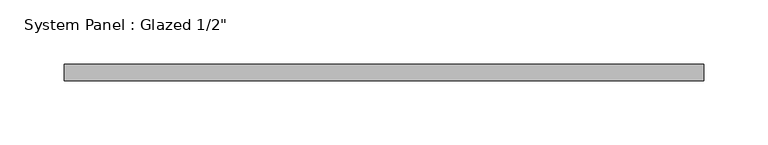
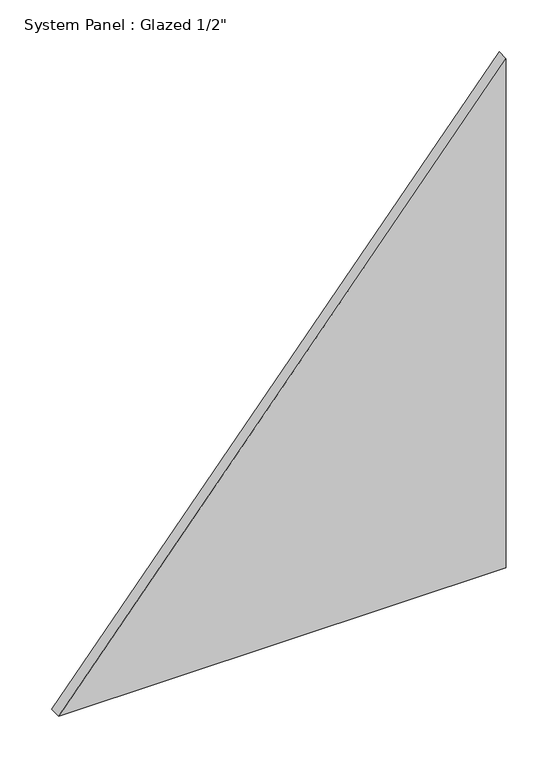
"""IFC4 building model written with IfcOpenShell, lengths in millimetres: plate geometry."""

from ifc_helpers import new_model, si_unit, frame, origin, place, context, project, spatial, polyline, outline, extrude, source, transform, mapped, element, save


def plate_d89f7729(model_context):
    return source(origin(), model_context, "Body", "SweptSolid", [
        extrude(outline(polyline([(0.0, -248.9028408), (0.0, 248.9028408), (598.28797, 248.9028408), (0.0, -248.9028408)])), frame((0.0, -6.35, 0.0), z_axis=(0.0, 1.0, 0.0), x_axis=(0.0, 0.0, 1.0)), (0.0, 0.0, 1.0), 12.7),
    ])


if __name__ == "__main__":
    model = new_model("IFC4")
    model_context = context("Model", 3, world=origin())
    ifc_project = project(units=[si_unit("LENGTHUNIT", "METRE", prefix="MILLI")], contexts=[model_context])
    site = spatial("IfcSite", under=ifc_project)
    building = spatial("IfcBuilding", under=site)
    placement = place(None, origin())
    plate_shape = plate_d89f7729(model_context)
    element("IfcPlate", 1, ObjectType="System Panel : Glazed 1/2\"", at=placement, inside=building, context=model_context, shape_type="MappedRepresentation", body=[
        mapped(plate_shape, transform((0.0, 0.0, 0.0), x_axis=(1.0, 0.0, 0.0), y_axis=(0.0, 1.0, 0.0), z_axis=(0.0, 0.0, 1.0))),
    ])
    save(model, "model.ifc")
